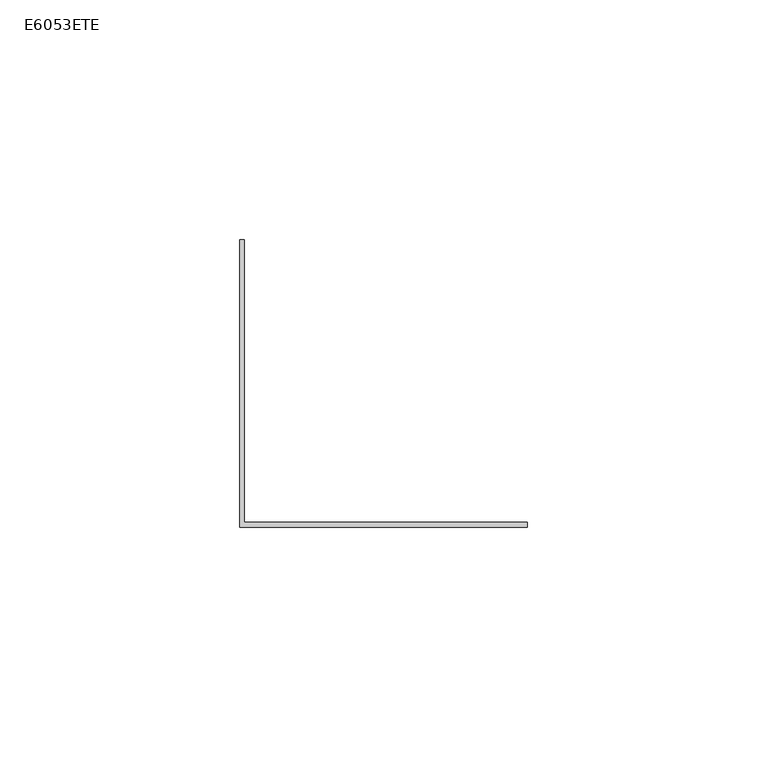
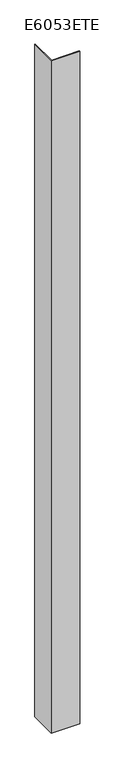
"""IFC4 building model written with IfcOpenShell, lengths in millimetres: proxy geometry, E6053ETE."""

from ifc_helpers import new_model, si_unit, origin, origin_with_axes, place, context, project, spatial, polyline, outline, extrude, source, transform, mapped, element, save


def e6053ete_198465fa(model_context):
    return source(origin(), model_context, "Body", "SweptSolid", [
        extrude(outline(polyline([(-5.0, 55.0), (-4.0, 55.0), (-4.0, -4.0), (55.0, -4.0), (55.0, -5.0), (-5.0, -5.0), (-5.0, 55.0)])), origin_with_axes(), (0.0, 0.0, 1.0), 1500.0),
    ])


if __name__ == "__main__":
    model = new_model("IFC4")
    model_context = context("Model", 3, world=origin())
    ifc_project = project(units=[si_unit("LENGTHUNIT", "METRE", prefix="MILLI")], contexts=[model_context])
    site = spatial("IfcSite", under=ifc_project)
    building = spatial("IfcBuilding", under=site)
    placement = place(None, origin())
    e6053ete_shape = e6053ete_198465fa(model_context)
    element("IfcBuildingElementProxy", 1, Name="E6053ETE", ObjectType="E6053ETE", at=placement, inside=building, context=model_context, shape_type="MappedRepresentation", body=[
        mapped(e6053ete_shape, transform((0.0, 0.0, 0.0), x_axis=(1.0, 0.0, 0.0), y_axis=(0.0, 1.0, 0.0), z_axis=(0.0, 0.0, 1.0))),
    ])
    save(model, "model.ifc")
